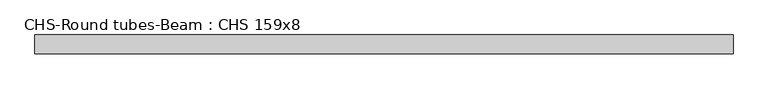
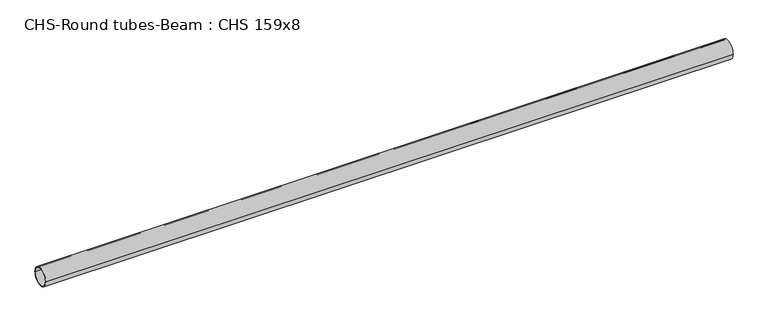
"""IFC4 building model written with IfcOpenShell, lengths in millimetres: beam geometry, CHS-Round tubes-Beam : CHS 159x8."""

import ifcopenshell
import ifcopenshell.guid

model = None  # the IFC model being written
_history = None  # IfcOwnerHistory: only IFC2X3 demands one
_inside = {}  # id of a spatial element -> (the spatial element, [elements in it])
_under = {}  # id of a project, library or spatial element -> (it, [spatial elements below it])
_declared = {}  # id of a project -> (the project, [libraries it declares])
_typed = {}  # id of a type object -> (the type object, [elements of that type])
_made_of = {}  # id of a material, layer set ... -> (it, [elements and type objects made of it])


def new_model(schema):
    """Start an empty IFC model of exactly this schema.

    Asked for "IFC4X3", IfcOpenShell would pick the latest addendum, in which some entities
    have other attributes; the version numbers below select the first issue.
    IFC2X3 requires an IfcOwnerHistory on every rooted entity: one is made here for all.
    """
    global model, _history
    if schema == "IFC4X3":
        model = ifcopenshell.file(schema_version=(4, 3, 0, 0))
    else:
        model = ifcopenshell.file(schema=schema)
    _inside.clear()
    _under.clear()
    _declared.clear()
    _typed.clear()
    _made_of.clear()
    _history = None
    if model.schema == "IFC2X3":
        org = make("IfcOrganization", Name="unknown")
        user = make(
            "IfcPersonAndOrganization",
            ThePerson=make("IfcPerson", FamilyName="unknown"),
            TheOrganization=org,
        )
        app = make(
            "IfcApplication",
            ApplicationDeveloper=org,
            Version="unknown",
            ApplicationFullName="unknown",
            ApplicationIdentifier="unknown",
        )
        _history = make(
            "IfcOwnerHistory",
            OwningUser=user,
            OwningApplication=app,
            ChangeAction="ADDED",
            CreationDate=0,
        )
    return model


def make(cls, **values):
    """One entity of the class cls with the attributes given. An attribute that is None is left unset."""
    return model.create_entity(
        cls, **{name: value for name, value in values.items() if value is not None}
    )


def rooted(cls, **values):
    """An entity with a GlobalId (a new one), such as an element, a storey or a relation."""
    return make(cls, GlobalId=ifcopenshell.guid.new(), OwnerHistory=_history, **values)


def si_unit(unit_type, name, prefix=None):
    """IfcSIUnit, for example si_unit("LENGTHUNIT", "METRE", prefix="MILLI")."""
    return make("IfcSIUnit", UnitType=unit_type, Prefix=prefix, Name=name)


def assignment(units):
    """IfcUnitAssignment: the units of a project."""
    return None if units is None else make("IfcUnitAssignment", Units=units)


def point(xyz):
    """IfcCartesianPoint."""
    return None if xyz is None else make("IfcCartesianPoint", Coordinates=xyz)


def direction(xyz):
    """IfcDirection."""
    return None if xyz is None else make("IfcDirection", DirectionRatios=xyz)


def frame(location, z_axis=None, x_axis=None):
    """IfcAxis2Placement3D, a coordinate frame: its origin and axes. An axis left out is left unset."""
    return make(
        "IfcAxis2Placement3D",
        Location=point(location),
        Axis=direction(z_axis),
        RefDirection=direction(x_axis),
    )


def frame_2d(location, x_axis=None):
    """IfcAxis2Placement2D, a coordinate frame in the plane: its origin and x axis."""
    return make(
        "IfcAxis2Placement2D", Location=point(location), RefDirection=direction(x_axis)
    )


def origin():
    """The frame at (0, 0, 0) with its axes left unset."""
    return frame((0.0, 0.0, 0.0))


def origin_2d():
    """The frame at (0, 0) in the plane with its x axis left unset."""
    return frame_2d((0.0, 0.0))


def place(relative_to, where):
    """IfcLocalPlacement: puts the frame where relative to a parent placement (None: the world)."""
    return make(
        "IfcLocalPlacement", PlacementRelTo=relative_to, RelativePlacement=where
    )


def context(
    kind, dimensions, precision=None, world=None, true_north=None, identifier=None
):
    """IfcGeometricRepresentationContext, for example the 3D "Model" context."""
    return make(
        "IfcGeometricRepresentationContext",
        ContextIdentifier=identifier,
        ContextType=kind,
        CoordinateSpaceDimension=dimensions,
        Precision=precision,
        WorldCoordinateSystem=world,
        TrueNorth=true_north,
    )


def project(units=None, contexts=None):
    """IfcProject with its units and contexts."""
    return rooted(
        "IfcProject",
        Name="project",
        RepresentationContexts=contexts,
        UnitsInContext=assignment(units),
    )


def spatial(cls, under=None, at=None, **own):
    """A site, building, storey or space (cls), placed at a placement, below another one or the project."""
    s = rooted(cls, ObjectPlacement=at, **own)
    if under is not None:
        _under.setdefault(under.id(), (under, []))[1].append(s)
    return s


def circle_curve(where, radius):
    """IfcCircle in the frame where."""
    return make("IfcCircle", Position=where, Radius=radius)


def trimmed(basis, trim1, trim2, sense, master):
    """IfcTrimmedCurve: the piece of a basis curve between two trims."""
    return make(
        "IfcTrimmedCurve",
        BasisCurve=basis,
        Trim1=trim1,
        Trim2=trim2,
        SenseAgreement=sense,
        MasterRepresentation=master,
    )


def segment(curve, same_sense, transition):
    """IfcCompositeCurveSegment."""
    return make(
        "IfcCompositeCurveSegment",
        Transition=transition,
        SameSense=same_sense,
        ParentCurve=curve,
    )


def composite_curve(segments, self_intersect=None):
    """IfcCompositeCurve: segments joined end to end."""
    return make("IfcCompositeCurve", Segments=segments, SelfIntersect=self_intersect)


def outline(outer, holes=None, kind="AREA"):
    """IfcArbitraryClosedProfileDef: a profile drawn as a closed curve; with holes, ...WithVoids."""
    if holes is None:
        return make("IfcArbitraryClosedProfileDef", ProfileType=kind, OuterCurve=outer)
    return make(
        "IfcArbitraryProfileDefWithVoids",
        ProfileType=kind,
        OuterCurve=outer,
        InnerCurves=holes,
    )


def extrude(swept, where, along, depth):
    """IfcExtrudedAreaSolid: the profile swept, set in the frame where, extruded along a direction by depth."""
    return make(
        "IfcExtrudedAreaSolid",
        SweptArea=swept,
        Position=where,
        ExtrudedDirection=direction(along),
        Depth=depth,
    )


def shape(context_of_items, identifier, shape_type, items):
    """IfcShapeRepresentation: the items that make up one representation, for example the "Body"."""
    return make(
        "IfcShapeRepresentation",
        ContextOfItems=context_of_items,
        RepresentationIdentifier=identifier,
        RepresentationType=shape_type,
        Items=items,
    )


def source(mapping_origin, context_of_items, identifier, shape_type, items):
    """IfcRepresentationMap: a shape defined once, which mapped items show again and again."""
    return make(
        "IfcRepresentationMap",
        MappingOrigin=mapping_origin,
        MappedRepresentation=shape(context_of_items, identifier, shape_type, items),
    )


def transform(
    local_origin,
    x_axis=None,
    y_axis=None,
    z_axis=None,
    scale=None,
    scale2=None,
    scale3=None,
    uniform=True,
):
    """IfcCartesianTransformationOperator3D, or its non-uniform kind. x_axis, y_axis, z_axis: its Axis1, 2, 3."""
    if uniform:
        return make(
            "IfcCartesianTransformationOperator3D",
            Axis1=direction(x_axis),
            Axis2=direction(y_axis),
            LocalOrigin=point(local_origin),
            Scale=scale,
            Axis3=direction(z_axis),
        )
    return make(
        "IfcCartesianTransformationOperator3DnonUniform",
        Axis1=direction(x_axis),
        Axis2=direction(y_axis),
        LocalOrigin=point(local_origin),
        Scale=scale,
        Axis3=direction(z_axis),
        Scale2=scale2,
        Scale3=scale3,
    )


def mapped(mapping_source, mapping_target):
    """IfcMappedItem: shows the shape of a source again, moved by a transform."""
    return make(
        "IfcMappedItem", MappingSource=mapping_source, MappingTarget=mapping_target
    )


def made_of(thing, what):
    """Note that an element or type object is made of a material, layer set ...; save() writes the relation."""
    if what is not None:
        _made_of.setdefault(what.id(), (what, []))[1].append(thing)
    return thing


def element(
    cls,
    number,
    at=None,
    inside=None,
    cuts=None,
    type_object=None,
    material=None,
    context=None,
    identifier="Body",
    shape_type=None,
    held_by="IfcProductDefinitionShape",
    body=None,
    shapes=None,
    **own,
):
    """One element of the class cls, such as IfcWall. Its Tag is "e" and its number.

    at: its placement. inside: the storey or other place that contains it. cuts: it is an
    opening in that element (IfcRelVoidsElement). A single representation is given by context,
    identifier, shape_type and body (its items); several are given by shapes. held_by: the class
    of the entity that holds the representations. save() writes the other relations.
    """
    e = rooted(cls, Tag="e%d" % number, ObjectPlacement=at, **own)
    if body is not None:
        shapes = [shape(context, identifier, shape_type, body)]
    if shapes is not None:
        e.Representation = make(held_by, Representations=shapes)
    if inside is not None:
        _inside.setdefault(inside.id(), (inside, []))[1].append(e)
    if cuts is not None:
        rooted(
            "IfcRelVoidsElement", RelatingBuildingElement=cuts, RelatedOpeningElement=e
        )
    if type_object is not None:
        _typed.setdefault(type_object.id(), (type_object, []))[1].append(e)
    return made_of(e, material)


def aggregate(whole, parts):
    """IfcRelAggregates: a whole, such as a stair, and the parts it consists of."""
    return rooted("IfcRelAggregates", RelatingObject=whole, RelatedObjects=parts)


def save(model, path):
    """Write the relations noted so far, then the file.

    IfcRelAggregates (storeys below a building ...), IfcRelContainedInSpatialStructure (elements
    in a storey), IfcRelDefinesByType, IfcRelAssociatesMaterial and IfcRelDeclares: one each for
    every whole, place, type object, material and project.
    """
    for whole, parts in _under.values():
        aggregate(whole, parts)
    for where, things in _inside.values():
        rooted(
            "IfcRelContainedInSpatialStructure",
            RelatedElements=things,
            RelatingStructure=where,
        )
    for kind, things in _typed.values():
        rooted("IfcRelDefinesByType", RelatedObjects=things, RelatingType=kind)
    for what, things in _made_of.values():
        rooted("IfcRelAssociatesMaterial", RelatedObjects=things, RelatingMaterial=what)
    for by, libraries in _declared.values():
        rooted("IfcRelDeclares", RelatingContext=by, RelatedDefinitions=libraries)
    model.write(path)


def chs_round_tubes_beam_chs_159x8_1adca5e9(model_context):
    return source(origin(), model_context, "Body", "SweptSolid", [
        extrude(outline(composite_curve([segment(trimmed(circle_curve(origin_2d(), 79.5), [point((79.5, 0.0))], [point((-79.5, 0.0))], False, "CARTESIAN"), True, "CONTINUOUS"), segment(trimmed(circle_curve(origin_2d(), 79.5), [point((-79.5, 0.0))], [point((79.5, 0.0))], False, "CARTESIAN"), True, "CONTINUOUS")], self_intersect=False), holes=[composite_curve([segment(trimmed(circle_curve(origin_2d(), 71.5), [point((71.5, 0.0))], [point((-71.5, 0.0))], True, "CARTESIAN"), True, "CONTINUOUS"), segment(trimmed(circle_curve(origin_2d(), 71.5), [point((-71.5, 0.0))], [point((71.5, 0.0))], True, "CARTESIAN"), True, "CONTINUOUS")], self_intersect=False)]), frame((-2952.6333279, 0.0, 0.0), z_axis=(1.0, 0.0, 0.0), x_axis=(0.0, 1.0, 0.0)), (0.0, 0.0, 1.0), 5905.2666557),
    ])


if __name__ == "__main__":
    model = new_model("IFC4")
    model_context = context("Model", 3, world=origin())
    ifc_project = project(units=[si_unit("LENGTHUNIT", "METRE", prefix="MILLI")], contexts=[model_context])
    site = spatial("IfcSite", under=ifc_project)
    building = spatial("IfcBuilding", under=site)
    placement = place(None, origin())
    chs_round_tubes_beam_chs_159x8_shape = chs_round_tubes_beam_chs_159x8_1adca5e9(model_context)
    element("IfcBeam", 1, ObjectType="CHS-Round tubes-Beam : CHS 159x8", at=placement, inside=building, context=model_context, shape_type="MappedRepresentation", body=[
        mapped(chs_round_tubes_beam_chs_159x8_shape, transform((0.0, 0.0, 0.0), x_axis=(1.0, 0.0, 0.0), y_axis=(0.0, 1.0, 0.0), z_axis=(0.0, 0.0, 1.0))),
    ])
    save(model, "model.ifc")
